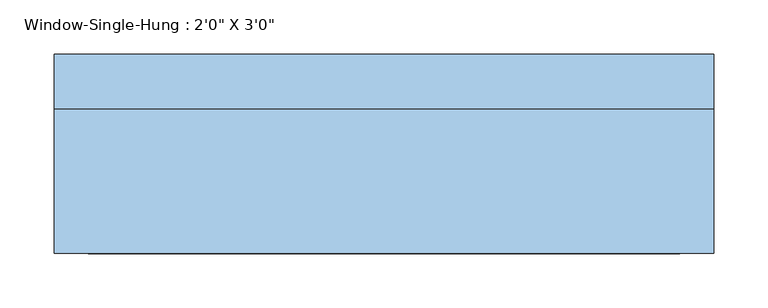
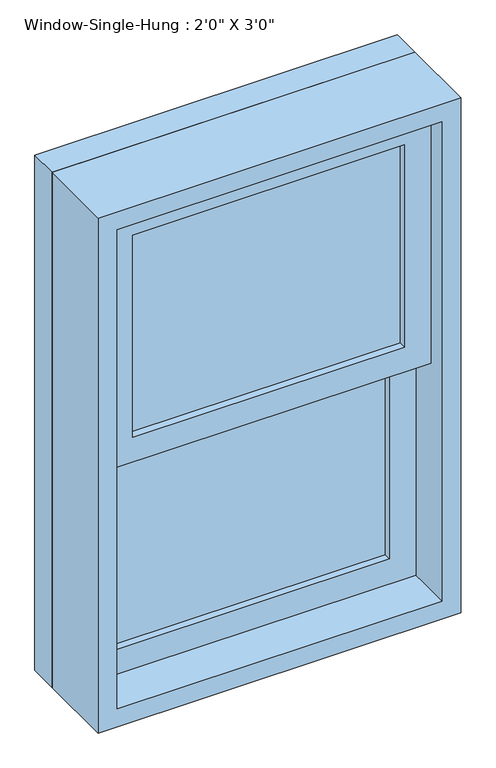
"""IFC4 building model written with IfcOpenShell, lengths in millimetres: window geometry."""

from ifc_helpers import new_model, si_unit, frame, origin, place, context, project, spatial, polyline, outline, extrude, source, transform, mapped, element, save


def window_698f31fd(model_context):
    return source(origin(), model_context, "Body", "SweptSolid", [
        extrude(outline(polyline([(228.6, -12.7), (-228.6, -12.7), (-228.6, -6.35), (228.6, -6.35), (228.6, -12.7)])), frame((0.0, 0.0, 990.6), z_axis=(0.0, 0.0, 1.0), x_axis=(1.0, 0.0, 0.0)), (0.0, 0.0, 1.0), 358.775),
        extrude(outline(polyline([(-228.6, 0.0), (-228.6, 6.35), (228.6, 6.35), (228.6, 0.0), (-228.6, 0.0)])), frame((0.0, 0.0, 990.6), z_axis=(0.0, 0.0, 1.0), x_axis=(1.0, 0.0, 0.0)), (0.0, 0.0, 1.0), 358.775),
        extrude(outline(polyline([(228.6, -57.15), (-228.6, -57.15), (-228.6, -50.8), (228.6, -50.8), (228.6, -57.15)])), frame((0.0, 0.0, 1393.825), z_axis=(0.0, 0.0, 1.0), x_axis=(1.0, 0.0, 0.0)), (0.0, 0.0, 1.0), 358.775),
        extrude(outline(polyline([(-228.6, -44.45), (-228.6, -38.1), (228.6, -38.1), (228.6, -44.45), (-228.6, -44.45)])), frame((0.0, 0.0, 1393.825), z_axis=(0.0, 0.0, 1.0), x_axis=(1.0, 0.0, 0.0)), (0.0, 0.0, 1.0), 358.775),
        extrude(outline(polyline([(1393.825, 273.05), (1393.825, -273.05), (946.15, -273.05), (946.15, 273.05), (1393.825, 273.05)]), holes=[polyline([(1349.375, -228.6), (1349.375, 228.6), (990.6, 228.6), (990.6, -228.6), (1349.375, -228.6)])]), frame((0.0, -25.4, 0.0), z_axis=(0.0, 1.0, 0.0), x_axis=(0.0, 0.0, 1.0)), (0.0, 0.0, 1.0), 44.45),
        extrude(outline(polyline([(1797.05, 273.05), (1797.05, -273.05), (1349.375, -273.05), (1349.375, 273.05), (1797.05, 273.05)]), holes=[polyline([(1752.6, -228.6), (1752.6, 228.6), (1393.825, 228.6), (1393.825, -228.6), (1752.6, -228.6)])]), frame((0.0, -69.85, 0.0), z_axis=(0.0, 1.0, 0.0), x_axis=(0.0, 0.0, 1.0)), (0.0, 0.0, 1.0), 44.45),
        extrude(outline(polyline([(1828.8, 304.8), (1828.8, -304.8), (914.4, -304.8), (914.4, 304.8), (1828.8, 304.8)]), holes=[polyline([(1797.05, -273.05), (1797.05, 273.05), (946.15, 273.05), (946.15, -273.05), (1797.05, -273.05)])]), frame((0.0, -101.6, 0.0), z_axis=(0.0, 1.0, 0.0), x_axis=(0.0, 0.0, 1.0)), (0.0, 0.0, 1.0), 133.35),
        extrude(outline(polyline([(1828.8, 304.8), (1828.8, -304.8), (914.4, -304.8), (914.4, 304.8), (1828.8, 304.8)]), holes=[polyline([(1809.75, 285.75), (933.45, 285.75), (933.45, -285.75), (1809.75, -285.75), (1809.75, 285.75)])]), frame((0.0, 31.75, 0.0), z_axis=(0.0, 1.0, 0.0), x_axis=(0.0, 0.0, 1.0)), (0.0, 0.0, 1.0), 50.8),
    ])


if __name__ == "__main__":
    model = new_model("IFC4")
    model_context = context("Model", 3, world=origin())
    ifc_project = project(units=[si_unit("LENGTHUNIT", "METRE", prefix="MILLI")], contexts=[model_context])
    site = spatial("IfcSite", under=ifc_project)
    building = spatial("IfcBuilding", under=site)
    placement = place(None, origin())
    window_shape = window_698f31fd(model_context)
    element("IfcWindow", 1, ObjectType="Window-Single-Hung : 2'0\" X 3'0\"", at=placement, inside=building, context=model_context, shape_type="MappedRepresentation", body=[
        mapped(window_shape, transform((0.0, 0.0, 0.0), x_axis=(1.0, 0.0, 0.0), y_axis=(0.0, 1.0, 0.0), z_axis=(0.0, 0.0, 1.0))),
    ])
    save(model, "model.ifc")
